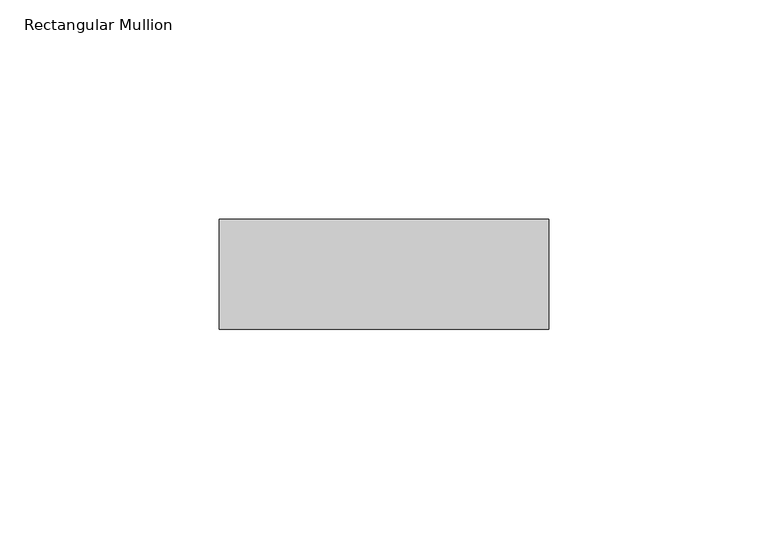
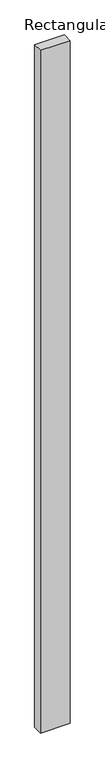
"""IFC4 building model written with IfcOpenShell, lengths in millimetres: member geometry, Rectangular Mullion."""

from ifc_helpers import new_model, si_unit, frame, origin, place, context, project, spatial, polyline, outline, extrude, source, transform, mapped, element, save


def rectangular_mullion_520313b0(model_context):
    return source(origin(), model_context, "Body", "SweptSolid", [
        extrude(outline(polyline([(50.0, -2.5), (50.0, -27.5), (-25.0, -27.5), (-25.0, -2.5), (50.0, -2.5)])), frame((0.0, 0.0, -1816.0), z_axis=(0.0, 0.0, 1.0), x_axis=(1.0, 0.0, 0.0)), (0.0, 0.0, 1.0), 1816.0),
    ])


if __name__ == "__main__":
    model = new_model("IFC4")
    model_context = context("Model", 3, world=origin())
    ifc_project = project(units=[si_unit("LENGTHUNIT", "METRE", prefix="MILLI")], contexts=[model_context])
    site = spatial("IfcSite", under=ifc_project)
    building = spatial("IfcBuilding", under=site)
    placement = place(None, origin())
    rectangular_mullion_shape = rectangular_mullion_520313b0(model_context)
    element("IfcMember", 1, ObjectType="Rectangular Mullion", at=placement, inside=building, context=model_context, shape_type="MappedRepresentation", body=[
        mapped(rectangular_mullion_shape, transform((0.0, 0.0, 0.0), x_axis=(1.0, 0.0, 0.0), y_axis=(0.0, 1.0, 0.0), z_axis=(0.0, 0.0, 1.0))),
    ])
    save(model, "model.ifc")
